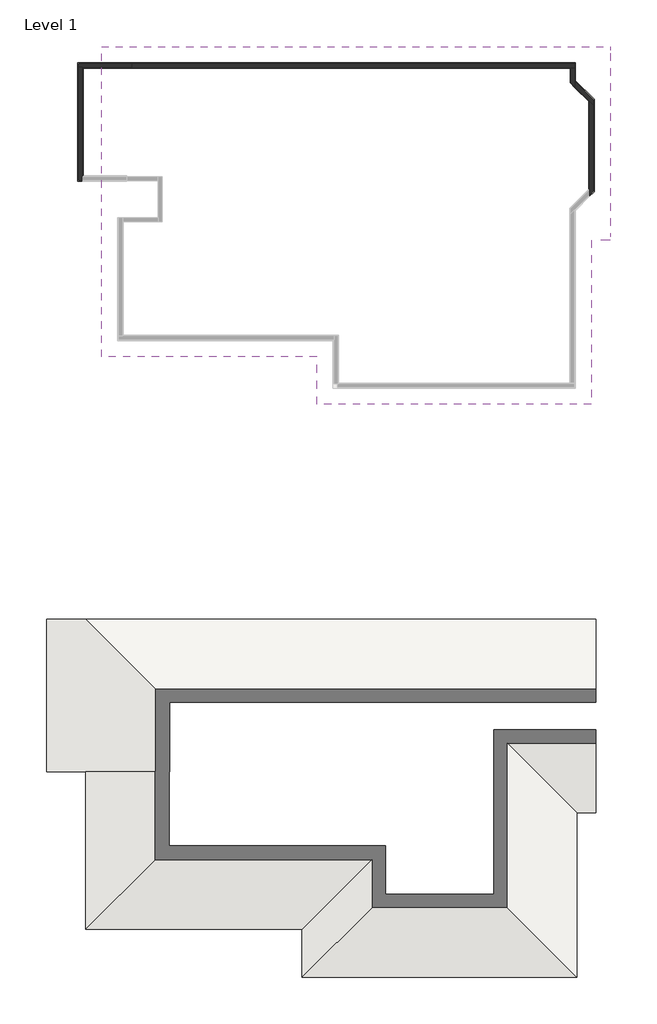
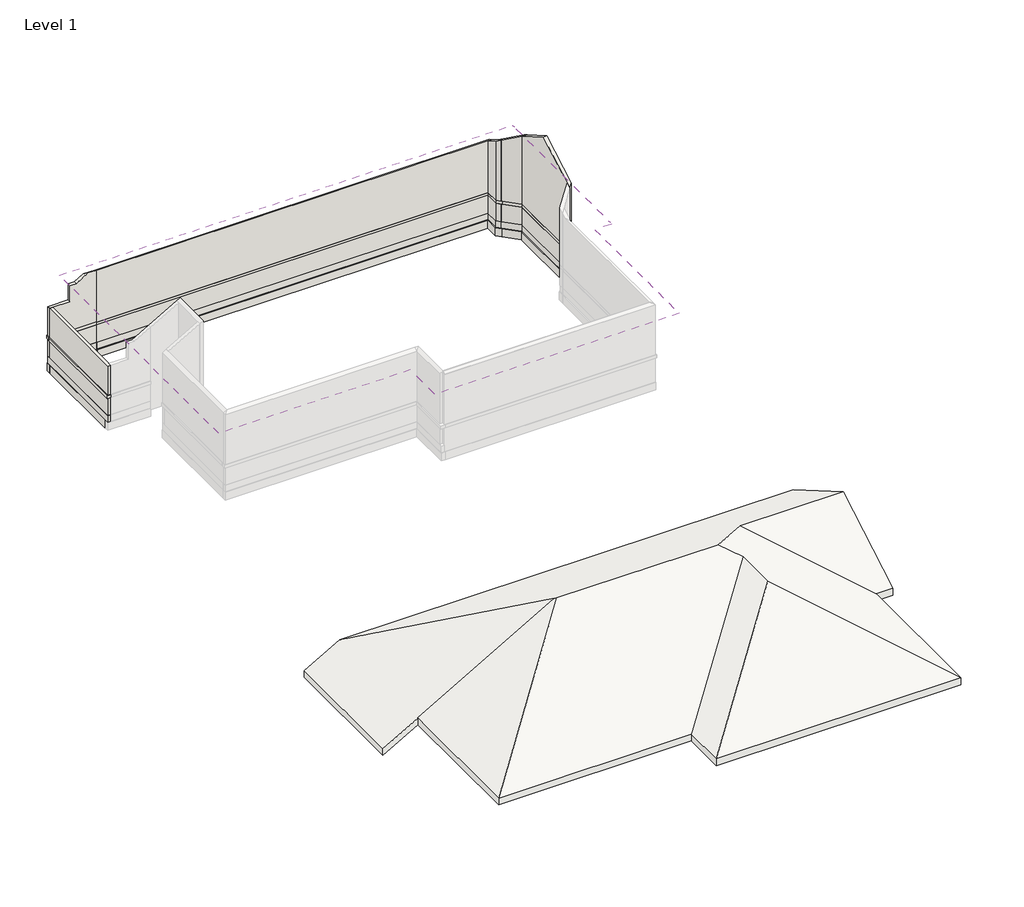
# One storey, part 2 of 2: 30 walls, 2 roofs.
"""IFC4 building model written with IfcOpenShell, lengths in millimetres."""

from ifc_helpers import new_model, si_unit, frame, origin, place, context, project, spatial, polyline, outline, extrude, faceted_brep, element, save

model = new_model("IFC4")

# Units and contexts
model_context = context("Model", 3, world=origin())
ifc_project = project(units=[si_unit("LENGTHUNIT", "METRE", prefix="MILLI")], contexts=[model_context])

# Site, building, storey
site = spatial("IfcSite", under=ifc_project)
building = spatial("IfcBuilding", under=site)
storey = spatial("IfcBuildingStorey", under=building, Name="Level 1", Elevation=0.0)

# Roofs
placement = place(None, origin())
element("IfcRoof", 1, ObjectType="150T_50Pur_CGI", at=placement, inside=storey, context=model_context, shape_type="Brep", body=[
    faceted_brep([(-1188.3308622, 1529.4801787, -346.4101615), (-1188.3308622, -1585.2698213, 1451.8915894), (-4901.9769652, -1585.2698213, 1451.8915894), (-6771.8751479, -3455.168004, 2531.4778086), (-12608.6485287, -3455.168004, 2531.4778086), (-12678.7967114, -3385.0198213, 2490.9777364), (-12661.3662896, -3385.0198213, 2490.9777364), (-17575.8662896, 1529.4801787, -346.4101615), (-17593.2967114, -8439.8161867, -346.4101615), (-6207.7618383, -4019.2813136, 2205.7868374), (-10628.2967114, -8439.8161867, -346.4101615), (-10628.2967114, -9989.8161867, -346.4101615), (-6207.7618383, -5569.2813136, 2205.7868374), (-1787.2269652, -9989.8161867, -346.4101615), (-1787.2269652, -4700.0198213, -346.4101615), (-1188.3308622, 1529.4801787, -93.5307436), (-17575.8662896, 1529.4801787, -93.5307436), (-12661.3662896, -3385.0198213, 2743.8571543), (-12678.7967114, -3385.0198213, 2743.8571543), (-12608.6485287, -3455.168004, 2784.3572265), (-6771.8751479, -3455.168004, 2784.3572265), (-4901.9769652, -1585.2698213, 1704.7710073), (-1188.3308622, -1585.2698213, 1704.7710073), (-17593.2967114, -8439.8161867, -93.5307436), (-10628.2967114, -8439.8161867, -93.5307436), (-6207.7618383, -4019.2813136, 2458.6662553), (-10628.2967114, -9989.8161867, -93.5307436), (-6207.7618383, -5569.2813136, 2458.6662553), (-1787.2269652, -9989.8161867, -93.5307436), (-1787.2269652, -4700.0198213, -93.5307436), (-17593.2967114, -3385.0198213, -356.4736203), (-18853.4269652, -3385.0198213, -1084.0101615), (-18853.4269652, 1529.4801787, -1084.0101615), (-17593.2967114, -3385.0198213, -346.4101615), (-18853.4269652, -3385.0198213, -831.1307436), (-17593.2967114, -3385.0198213, -103.5942024), (-18853.4269652, 1529.4801787, -831.1307436), (-17593.2967114, -3385.0198213, -93.5307436), (-1188.3308622, -4700.0198213, -346.4101615), (-1188.3308622, -4700.0198213, -93.5307436)], [[[0, 1, 2, 3, 4, 5, 6, 7]], [[8, 4, 3, 9, 10]], [[11, 10, 9, 12]], [[13, 12, 9, 3, 2, 14]], [[11, 12, 13]], [[15, 16, 17, 18, 19, 20, 21, 22]], [[23, 24, 25, 20, 19]], [[24, 26, 27, 25]], [[28, 29, 21, 20, 25, 27]], [[26, 28, 27]], [[7, 16, 15, 0]], [[10, 24, 23, 8]], [[11, 26, 24, 10]], [[13, 28, 26, 11]], [[14, 29, 28, 13]], [[30, 31, 32, 7, 6]], [[33, 5, 4, 8]], [[34, 35, 17, 16, 36]], [[37, 23, 19, 18]], [[8, 23, 37, 35, 33]], [[31, 34, 36, 32]], [[37, 18, 17, 35]], [[35, 34, 31, 30, 6, 5, 33]], [[38, 14, 2, 1]], [[29, 39, 22, 21]], [[38, 39, 29, 14]], [[15, 22, 39, 38, 1, 0]], [[36, 16, 7, 32]]]),
])
element("IfcRoof", 2, ObjectType="150T_50Pur_CGI", at=placement, inside=storey, context=model_context, shape_type="Brep", body=[
    faceted_brep([(-16861.4205287, 19709.8576385, 2501.4692564), (-12098.2659951, 14946.7031048, 5251.4778086), (-16861.4205287, 10183.5485712, 2501.4692564), (-9936.4205287, 8648.5485712, 2501.4692564), (-9936.4205287, 10183.5485712, 2501.4692564), (-5743.9954212, 14375.9736787, 4921.9670208), (-5743.9954212, 12840.9736787, 4921.9670208), (-1551.5703137, 8648.5485712, 2501.4692564), (-6314.7248473, 14946.7031048, 5251.4778086), (-717.9483285, 19709.8576385, 2501.4692564), (-717.9483285, 16816.6012875, 4171.8915894), (-4444.8266646, 16816.6012875, 4171.8915894), (-1551.5703137, 13923.3449366, 2501.4692564), (-17082.9141778, 19931.3512875, 2626.4692564), (-17082.9141778, 9962.0549221, 2626.4692564), (-12098.2659951, 14946.7031048, 5504.3572265), (-717.9483285, 19931.3512875, 2626.4692564), (-6314.7248473, 14946.7031048, 5504.3572265), (-4444.8266646, 16816.6012875, 4424.7710073), (-717.9483285, 16816.6012875, 4424.7710073), (-10157.9141778, 9962.0549221, 2626.4692564), (-10157.9141778, 8427.0549221, 2626.4692564), (-5743.9954212, 12840.9736787, 5174.8464387), (-5743.9954212, 14375.9736787, 5174.8464387), (-1330.0766646, 8427.0549221, 2626.4692564), (-1330.0766646, 13701.8512875, 2626.4692564), (-17082.9141778, 19931.3512875, 2501.4692564), (-717.9483285, 19931.3512875, 2501.4692564), (-17082.9141778, 9962.0549221, 2501.4692564), (-10157.9141778, 9962.0549221, 2501.4692564), (-10157.9141778, 8427.0549221, 2501.4692564), (-1330.0766646, 8427.0549221, 2501.4692564), (-1330.0766646, 13701.8512875, 2501.4692564), (-717.9483285, 13701.8512875, 2501.4692564), (-717.9483285, 13923.3449366, 2501.4692564), (-717.9483285, 13701.8512875, 2626.4692564)], [[[0, 1, 2]], [[3, 4, 5, 6]], [[3, 6, 7]], [[2, 1, 8, 5, 4]], [[9, 10, 11, 8, 1, 0]], [[7, 6, 5, 8, 11, 12]], [[13, 14, 15]], [[16, 13, 15, 17, 18, 19]], [[20, 21, 22, 23]], [[21, 24, 22]], [[14, 20, 23, 17, 15]], [[24, 25, 18, 17, 23, 22]], [[26, 13, 16, 27]], [[28, 14, 13, 26]], [[29, 20, 14, 28]], [[30, 21, 20, 29]], [[31, 24, 21, 30]], [[32, 25, 24, 31]], [[33, 32, 31, 30, 29, 28, 26, 27, 9, 0, 2, 4, 3, 7, 12, 34]], [[34, 12, 11, 10]], [[35, 19, 18, 25]], [[33, 35, 25, 32]], [[16, 19, 35, 33, 34, 10, 9, 27]]]),
])

# Walls
element("IfcWall", 3, at=placement, inside=storey, context=model_context, shape_type="Brep", body=[
    faceted_brep([(-17818.0444316, 19271.3512875, 0.0), (-17708.0444316, 19271.3512875, 0.0), (-16115.5444316, 19271.3512875, 0.0), (-16115.5444316, 19271.3512875, 670.0), (-17708.0444316, 19271.3512875, 670.0), (-17818.0444316, 19271.3512875, 670.0), (-17818.0444316, 19381.3512875, 0.0), (-17818.0444316, 19381.3512875, 670.0), (-16115.5444316, 19381.3512875, 670.0), (-16115.5444316, 19381.3512875, 0.0), (-17708.0444316, 19381.3512875, 0.0)], [[[0, 1, 2, 3, 4, 5]], [[6, 7, 8, 9, 10]], [[2, 1, 0, 6, 10, 9]], [[3, 2, 9, 8]], [[0, 5, 7, 6]], [[5, 4, 3, 8, 7]]]),
])
element("IfcWall", 4, at=placement, inside=storey, context=model_context, shape_type="Brep", body=[
    faceted_brep([(-17848.0444316, 19271.3512875, 670.0), (-17818.0444316, 19271.3512875, 670.0), (-17708.0444316, 19271.3512875, 670.0), (-16115.5444316, 19271.3512875, 670.0), (-16115.5444316, 19271.3512875, 780.0), (-17708.0444316, 19271.3512875, 780.0), (-17818.0444316, 19271.3512875, 780.0), (-17848.0444316, 19271.3512875, 780.0), (-17848.0444316, 19411.3512875, 670.0), (-17848.0444316, 19411.3512875, 780.0), (-16115.5444316, 19411.3512875, 780.0), (-16115.5444316, 19411.3512875, 670.0), (-16115.5444316, 19381.3512875, 670.0), (-16115.5444316, 19381.3512875, 780.0)], [[[0, 1, 2, 3, 4, 5, 6, 7]], [[8, 9, 10, 11]], [[3, 2, 1, 0, 8, 11, 12]], [[4, 3, 12, 11, 10, 13]], [[0, 7, 9, 8]], [[7, 6, 5, 4, 13, 10, 9]]]),
])
element("IfcWall", 5, at=placement, inside=storey, context=model_context, shape_type="Brep", body=[
    faceted_brep([(-1991.8444316, 19256.3512875, 0.0), (-1991.8444316, 18771.3877697, 0.0), (-1991.8444316, 18771.3877697, 670.0), (-1991.8444316, 19256.3512875, 670.0), (-1866.8444316, 19256.3512875, 0.0), (-1866.8444316, 19256.3512875, 670.0), (-1866.8444316, 18823.164465, 670.0), (-1866.8444316, 18646.3877697, 670.0), (-1866.8444316, 18646.3877697, 0.0), (-1866.8444316, 18667.6009732, 0.0), (-1866.8444316, 18823.164465, 0.0)], [[[0, 1, 2, 3]], [[4, 5, 6, 7, 8, 9, 10]], [[1, 0, 4, 10, 9, 8]], [[0, 3, 5, 4]], [[2, 1, 8, 7]], [[3, 2, 7, 6, 5]]]),
])
element("IfcWall", 6, at=placement, inside=storey, context=model_context, shape_type="Brep", body=[
    faceted_brep([(-1991.8444316, 19256.3512875, 670.0), (-1991.8444316, 18771.3877697, 670.0), (-1991.8444316, 18771.3877697, 780.0), (-1991.8444316, 19256.3512875, 780.0), (-1836.8444316, 19256.3512875, 670.0), (-1836.8444316, 19256.3512875, 780.0), (-1836.8444316, 18835.5908719, 780.0), (-1836.8444316, 18616.3877697, 780.0), (-1836.8444316, 18616.3877697, 670.0), (-1836.8444316, 18835.5908719, 670.0), (-1866.8444316, 19256.3512875, 670.0), (-1866.8444316, 18646.3877697, 670.0), (-1866.8444316, 19256.3512875, 780.0), (-1866.8444316, 18646.3877697, 780.0)], [[[0, 1, 2, 3]], [[4, 5, 6, 7, 8, 9]], [[1, 0, 10, 4, 9, 8, 11]], [[0, 3, 12, 5, 4, 10]], [[2, 1, 11, 8, 7, 13]], [[3, 2, 13, 7, 6, 5, 12]]]),
])
element("IfcWall", 7, at=placement, inside=storey, context=model_context, shape_type="Brep", body=[
    faceted_brep([(-1991.8444316, 19256.3512875, 780.0), (-1991.8444316, 18771.3877697, 780.0), (-1991.8444316, 18771.3877697, 3043.2950877), (-1991.8444316, 19256.3512875, 2763.3012702), (-1866.8444316, 19256.3512875, 780.0), (-1866.8444316, 19256.3512875, 2763.3012702), (-1866.8444316, 18823.164465, 3013.4017988), (-1866.8444316, 18646.3877697, 3115.4638714), (-1866.8444316, 18646.3877697, 780.0), (-1866.8444316, 18823.164465, 780.0)], [[[0, 1, 2, 3]], [[4, 5, 6, 7, 8, 9]], [[1, 0, 4, 9, 8]], [[0, 3, 5, 4]], [[2, 1, 8, 7]], [[3, 2, 7, 6, 5]]]),
])
element("IfcWall", 8, at=placement, inside=storey, context=model_context, shape_type="Brep", body=[
    faceted_brep([(-17708.0444316, 15636.8512875, 0.0), (-17708.0444316, 15746.8512875, 0.0), (-17708.0444316, 19271.3512875, 0.0), (-17708.0444316, 19271.3512875, 670.0), (-17708.0444316, 15746.8512875, 670.0), (-17708.0444316, 15636.8512875, 670.0), (-17818.0444316, 15636.8512875, 0.0), (-17818.0444316, 15636.8512875, 670.0), (-17818.0444316, 19271.3512875, 670.0), (-17818.0444316, 19271.3512875, 0.0)], [[[0, 1, 2, 3, 4, 5]], [[6, 7, 8, 9]], [[2, 1, 0, 6, 9]], [[5, 4, 3, 8, 7]], [[3, 2, 9, 8]], [[0, 5, 7, 6]]]),
])
element("IfcWall", 9, at=placement, inside=storey, context=model_context, shape_type="Brep", body=[
    faceted_brep([(-17708.0444316, 15606.8512875, 670.0), (-17708.0444316, 15636.8512875, 670.0), (-17708.0444316, 15746.8512875, 670.0), (-17708.0444316, 19271.3512875, 670.0), (-17708.0444316, 19271.3512875, 780.0), (-17708.0444316, 15746.8512875, 780.0), (-17708.0444316, 15636.8512875, 780.0), (-17708.0444316, 15606.8512875, 780.0), (-17848.0444316, 15606.8512875, 670.0), (-17848.0444316, 15606.8512875, 780.0), (-17848.0444316, 19271.3512875, 780.0), (-17848.0444316, 19271.3512875, 670.0), (-17818.0444316, 19271.3512875, 670.0), (-17818.0444316, 19271.3512875, 780.0)], [[[0, 1, 2, 3, 4, 5, 6, 7]], [[8, 9, 10, 11]], [[3, 2, 1, 0, 8, 11, 12]], [[7, 6, 5, 4, 13, 10, 9]], [[4, 3, 12, 11, 10, 13]], [[0, 7, 9, 8]]]),
])
element("IfcWall", 10, at=placement, inside=storey, context=model_context, shape_type="Brep", body=[
    faceted_brep([(-16115.5444316, 19256.3512875, 0.0), (-1991.8444316, 19256.3512875, 0.0), (-1866.8444316, 19256.3512875, 0.0), (-1866.8444316, 19256.3512875, 670.0), (-1991.8444316, 19256.3512875, 670.0), (-16115.5444316, 19256.3512875, 670.0), (-16115.5444316, 19381.3512875, 0.0), (-16115.5444316, 19381.3512875, 670.0), (-1866.8444316, 19381.3512875, 670.0), (-1866.8444316, 19381.3512875, 0.0), (-16115.5444316, 19271.3512875, 0.0), (-1866.8444316, 19271.3512875, 0.0), (-16115.5444316, 19271.3512875, 670.0)], [[[0, 1, 2, 3, 4, 5]], [[6, 7, 8, 9]], [[2, 1, 0, 10, 6, 9, 11]], [[0, 5, 12, 7, 6, 10]], [[3, 2, 11, 9, 8]], [[5, 4, 3, 8, 7, 12]]]),
])
element("IfcWall", 11, at=placement, inside=storey, context=model_context, shape_type="Brep", body=[
    faceted_brep([(-16115.5444316, 19256.3512875, 670.0), (-1991.8444316, 19256.3512875, 670.0), (-1866.8444316, 19256.3512875, 670.0), (-1836.8444316, 19256.3512875, 670.0), (-1836.8444316, 19256.3512875, 780.0), (-1866.8444316, 19256.3512875, 780.0), (-1991.8444316, 19256.3512875, 780.0), (-16115.5444316, 19256.3512875, 780.0), (-16115.5444316, 19411.3512875, 670.0), (-16115.5444316, 19411.3512875, 780.0), (-1836.8444316, 19411.3512875, 780.0), (-1836.8444316, 19411.3512875, 670.0), (-16115.5444316, 19271.3512875, 670.0), (-16115.5444316, 19381.3512875, 670.0), (-16115.5444316, 19271.3512875, 780.0), (-16115.5444316, 19381.3512875, 780.0)], [[[0, 1, 2, 3, 4, 5, 6, 7]], [[8, 9, 10, 11]], [[3, 2, 1, 0, 12, 13, 8, 11]], [[0, 7, 14, 15, 9, 8, 13, 12]], [[4, 3, 11, 10]], [[7, 6, 5, 4, 10, 9, 15, 14]]]),
])
element("IfcWall", 12, at=placement, inside=storey, context=model_context, shape_type="Brep", body=[
    faceted_brep([(-16115.5444316, 19256.3512875, 780.0), (-1991.8444316, 19256.3512875, 780.0), (-1866.8444316, 19256.3512875, 780.0), (-1866.8444316, 19256.3512875, 2763.3012702), (-1991.8444316, 19256.3512875, 2763.3012702), (-16115.5444316, 19256.3512875, 2763.3012702), (-16115.5444316, 19381.3512875, 780.0), (-16115.5444316, 19381.3512875, 2691.1324865), (-1866.8444316, 19381.3512875, 2691.1324865), (-1866.8444316, 19381.3512875, 780.0), (-16115.5444316, 19271.3512875, 780.0), (-16115.5444316, 19271.3512875, 2754.6410162)], [[[0, 1, 2, 3, 4, 5]], [[6, 7, 8, 9]], [[2, 1, 0, 10, 6, 9]], [[0, 5, 11, 7, 6, 10]], [[3, 2, 9, 8]], [[5, 4, 3, 8, 7, 11]]]),
])
element("IfcWall", 13, at=placement, inside=storey, context=model_context, shape_type="Brep", body=[
    faceted_brep([(-17708.0444316, 15636.8512875, -260.0), (-17708.0444316, 15746.8512875, -260.0), (-17708.0444316, 19271.3512875, -260.0), (-17708.0444316, 19381.3512875, -260.0), (-17708.0444316, 19381.3512875, 0.0), (-17708.0444316, 19271.3512875, 0.0), (-17708.0444316, 15746.8512875, 0.0), (-17708.0444316, 15636.8512875, 0.0), (-17818.0444316, 15636.8512875, -260.0), (-17818.0444316, 15636.8512875, 0.0), (-17818.0444316, 19271.3512875, 0.0), (-17818.0444316, 19381.3512875, 0.0), (-17818.0444316, 19381.3512875, -260.0)], [[[0, 1, 2, 3, 4, 5, 6, 7]], [[8, 9, 10, 11, 12]], [[3, 2, 1, 0, 8, 12]], [[7, 6, 5, 4, 11, 10, 9]], [[0, 7, 9, 8]], [[4, 3, 12, 11]]]),
])
element("IfcWall", 14, at=placement, inside=storey, context=model_context, shape_type="SweptSolid", body=[
    extrude(outline(polyline([(-16115.5444316, 19271.3512875), (-17708.0444316, 19271.3512875), (-17708.0444316, 19381.3512875), (-16115.5444316, 19381.3512875), (-16115.5444316, 19271.3512875)])), frame((0.0, 0.0, -260.0), z_axis=(0.0, 0.0, 1.0), x_axis=(1.0, 0.0, 0.0)), (0.0, 0.0, 1.0), 260.0),
])
element("IfcWall", 15, at=placement, inside=storey, context=model_context, shape_type="Brep", body=[
    faceted_brep([(-16115.5444316, 19271.3512875, -260.0), (-1976.8444316, 19271.3512875, -260.0), (-1866.8444316, 19271.3512875, -260.0), (-1866.8444316, 19271.3512875, 0.0), (-1976.8444316, 19271.3512875, 0.0), (-16115.5444316, 19271.3512875, 0.0), (-16115.5444316, 19381.3512875, -260.0), (-16115.5444316, 19381.3512875, 0.0), (-1866.8444316, 19381.3512875, 0.0), (-1866.8444316, 19381.3512875, -260.0)], [[[0, 1, 2, 3, 4, 5]], [[6, 7, 8, 9]], [[2, 1, 0, 6, 9]], [[0, 5, 7, 6]], [[3, 2, 9, 8]], [[5, 4, 3, 8, 7]]]),
])
element("IfcWall", 16, at=placement, inside=storey, context=model_context, shape_type="Brep", body=[
    faceted_brep([(-1976.8444316, 19271.3512875, -260.0), (-1976.8444316, 18777.6009732, -260.0), (-1976.8444316, 18777.6009732, 0.0), (-1976.8444316, 19271.3512875, 0.0), (-1866.8444316, 19271.3512875, -260.0), (-1866.8444316, 19271.3512875, 0.0), (-1866.8444316, 19256.3512875, 0.0), (-1866.8444316, 18823.164465, 0.0), (-1866.8444316, 18667.6009732, 0.0), (-1866.8444316, 18667.6009732, -260.0), (-1866.8444316, 18823.164465, -260.0)], [[[0, 1, 2, 3]], [[4, 5, 6, 7, 8, 9, 10]], [[1, 0, 4, 10, 9]], [[0, 3, 5, 4]], [[2, 1, 9, 8]], [[3, 2, 8, 7, 6, 5]]]),
])
element("IfcWall", 17, at=placement, inside=storey, context=model_context, shape_type="Brep", body=[
    faceted_brep([(-1866.8444316, 18667.6009732, -260.0), (-1377.9483285, 18178.7048701, -260.0), (-1267.9483285, 18068.7048701, -260.0), (-1267.9483285, 18068.7048701, 0.0), (-1377.9483285, 18178.7048701, 0.0), (-1866.8444316, 18667.6009732, 0.0), (-1866.8444316, 18823.164465, -260.0), (-1866.8444316, 18823.164465, 0.0), (-1267.9483285, 18224.268362, 0.0), (-1267.9483285, 18224.268362, -260.0)], [[[0, 1, 2, 3, 4, 5]], [[6, 7, 8, 9]], [[2, 1, 0, 6, 9]], [[3, 2, 9, 8]], [[0, 5, 7, 6]], [[5, 4, 3, 8, 7]]]),
])
element("IfcWall", 18, at=placement, inside=storey, context=model_context, shape_type="Brep", body=[
    faceted_brep([(-1866.8444316, 18646.3877697, 0.0), (-1392.9483285, 18172.4916667, 0.0), (-1267.9483285, 18047.4916667, 0.0), (-1267.9483285, 18047.4916667, 670.0), (-1392.9483285, 18172.4916667, 670.0), (-1836.8444316, 18616.3877697, 670.0), (-1866.8444316, 18646.3877697, 670.0), (-1866.8444316, 18823.164465, 0.0), (-1866.8444316, 18823.164465, 670.0), (-1267.9483285, 18224.268362, 670.0), (-1267.9483285, 18224.268362, 0.0), (-1866.8444316, 18667.6009732, 0.0), (-1267.9483285, 18068.7048701, 0.0)], [[[0, 1, 2, 3, 4, 5, 6]], [[7, 8, 9, 10]], [[2, 1, 0, 11, 7, 10, 12]], [[3, 2, 12, 10, 9]], [[0, 6, 8, 7, 11]], [[6, 5, 4, 3, 9, 8]]]),
])
element("IfcWall", 19, at=placement, inside=storey, context=model_context, shape_type="Brep", body=[
    faceted_brep([(-1836.8444316, 18616.3877697, 670.0), (-1392.9483285, 18172.4916667, 670.0), (-1267.9483285, 18047.4916667, 670.0), (-1237.9483285, 18017.4916667, 670.0), (-1237.9483285, 18017.4916667, 780.0), (-1267.9483285, 18047.4916667, 780.0), (-1392.9483285, 18172.4916667, 780.0), (-1836.8444316, 18616.3877697, 780.0), (-1836.8444316, 18835.5908719, 670.0), (-1836.8444316, 18835.5908719, 780.0), (-1237.9483285, 18236.6947688, 780.0), (-1237.9483285, 18236.6947688, 670.0)], [[[0, 1, 2, 3, 4, 5, 6, 7]], [[8, 9, 10, 11]], [[3, 2, 1, 0, 8, 11]], [[4, 3, 11, 10]], [[0, 7, 9, 8]], [[7, 6, 5, 4, 10, 9]]]),
])
element("IfcWall", 20, at=placement, inside=storey, context=model_context, shape_type="Brep", body=[
    faceted_brep([(-1866.8444316, 18646.3877697, 780.0), (-1836.8444316, 18616.3877697, 780.0), (-1392.9483285, 18172.4916667, 780.0), (-1267.9483285, 18047.4916667, 780.0), (-1267.9483285, 18047.4916667, 3461.2366977), (-1392.9483285, 18172.4916667, 3389.0679141), (-1866.8444316, 18646.3877697, 3115.4638714), (-1866.8444316, 18823.164465, 780.0), (-1866.8444316, 18823.164465, 3013.4017988), (-1267.9483285, 18224.268362, 3359.1746251), (-1267.9483285, 18224.268362, 780.0)], [[[0, 1, 2, 3, 4, 5, 6]], [[7, 8, 9, 10]], [[3, 2, 1, 0, 7, 10]], [[4, 3, 10, 9]], [[0, 6, 8, 7]], [[6, 5, 4, 9, 8]]]),
])
element("IfcWall", 21, at=placement, inside=storey, context=model_context, shape_type="Brep", body=[
    faceted_brep([(-1377.9483285, 18178.7048701, -260.0), (-1377.9483285, 15328.4104976, -260.0), (-1377.9483285, 15172.8470057, -260.0), (-1377.9483285, 15172.8470057, 0.0), (-1377.9483285, 15328.4104976, 0.0), (-1377.9483285, 18178.7048701, 0.0), (-1267.9483285, 18068.7048701, -260.0), (-1267.9483285, 18068.7048701, 0.0), (-1267.9483285, 18047.4916667, 0.0), (-1267.9483285, 15282.8470057, 0.0), (-1267.9483285, 15282.8470057, -260.0)], [[[0, 1, 2, 3, 4, 5]], [[6, 7, 8, 9, 10]], [[2, 1, 0, 6, 10]], [[0, 5, 7, 6]], [[3, 2, 10, 9]], [[5, 4, 3, 9, 8, 7]]]),
])
element("IfcWall", 22, at=placement, inside=storey, context=model_context, shape_type="Brep", body=[
    faceted_brep([(-1392.9483285, 18172.4916667, 0.0), (-1392.9483285, 15334.623701, 0.0), (-1392.9483285, 15157.8470057, 0.0), (-1392.9483285, 15157.8470057, 670.0), (-1392.9483285, 15334.623701, 670.0), (-1392.9483285, 18172.4916667, 670.0), (-1267.9483285, 18047.4916667, 0.0), (-1267.9483285, 18047.4916667, 670.0), (-1267.9483285, 15282.8470057, 670.0), (-1267.9483285, 15282.8470057, 0.0), (-1377.9483285, 15172.8470057, 0.0)], [[[0, 1, 2, 3, 4, 5]], [[6, 7, 8, 9]], [[2, 1, 0, 6, 9, 10]], [[0, 5, 7, 6]], [[3, 2, 10, 9, 8]], [[5, 4, 3, 8, 7]]]),
])
element("IfcWall", 23, at=placement, inside=storey, context=model_context, shape_type="Brep", body=[
    faceted_brep([(-1392.9483285, 18172.4916667, 670.0), (-1392.9483285, 15334.623701, 670.0), (-1392.9483285, 15157.8470057, 670.0), (-1392.9483285, 15115.4205989, 670.0), (-1392.9483285, 15115.4205989, 780.0), (-1392.9483285, 15157.8470057, 780.0), (-1392.9483285, 15334.623701, 780.0), (-1392.9483285, 18172.4916667, 780.0), (-1237.9483285, 18017.4916667, 670.0), (-1237.9483285, 18017.4916667, 780.0), (-1237.9483285, 15270.4205989, 780.0), (-1237.9483285, 15270.4205989, 670.0), (-1267.9483285, 18047.4916667, 670.0), (-1267.9483285, 18047.4916667, 780.0)], [[[0, 1, 2, 3, 4, 5, 6, 7]], [[8, 9, 10, 11]], [[3, 2, 1, 0, 12, 8, 11]], [[0, 7, 13, 9, 8, 12]], [[4, 3, 11, 10]], [[7, 6, 5, 4, 10, 9, 13]]]),
])
element("IfcWall", 24, at=placement, inside=storey, context=model_context, shape_type="Brep", body=[
    faceted_brep([(-1392.9483285, 18172.4916667, 780.0), (-1392.9483285, 15334.623701, 780.0), (-1392.9483285, 15157.8470057, 780.0), (-1392.9483285, 15157.8470057, 3214.2093583), (-1392.9483285, 15334.623701, 3316.2714309), (-1392.9483285, 16816.6012875, 4171.8915894), (-1392.9483285, 18172.4916667, 3389.0679141), (-1267.9483285, 18047.4916667, 780.0), (-1267.9483285, 18047.4916667, 3461.2366977), (-1267.9483285, 16816.6012875, 4171.8915894), (-1267.9483285, 15282.8470057, 3286.378142), (-1267.9483285, 15282.8470057, 780.0)], [[[0, 1, 2, 3, 4, 5, 6]], [[7, 8, 9, 10, 11]], [[2, 1, 0, 7, 11]], [[0, 6, 8, 7]], [[3, 2, 11, 10]], [[6, 5, 9, 8]], [[5, 4, 3, 10, 9]]]),
])
element("IfcWall", 25, ObjectType="110Br", at=placement, inside=storey, context=model_context, shape_type="Brep", body=[
    faceted_brep([(-17818.0444316, 19271.3512875, 780.0), (-17708.0444316, 19271.3512875, 780.0), (-16115.5444316, 19271.3512875, 780.0), (-16115.5444316, 19271.3512875, 2754.6410162), (-16422.9141778, 19271.3512875, 2754.6410162), (-16861.4205287, 19271.3512875, 2501.4692564), (-17082.9141778, 19271.3512875, 2501.4692564), (-17082.9141778, 19271.3512875, 1890.0), (-17708.0444316, 19271.3512875, 1890.0), (-17818.0444316, 19271.3512875, 1890.0), (-17818.0444316, 19381.3512875, 780.0), (-17818.0444316, 19381.3512875, 1890.0), (-17082.9141778, 19381.3512875, 1890.0), (-17082.9141778, 19381.3512875, 2501.4692564), (-16861.4205287, 19381.3512875, 2501.4692564), (-16532.9141778, 19381.3512875, 2691.1324865), (-16115.5444316, 19381.3512875, 2691.1324865), (-16115.5444316, 19381.3512875, 780.0)], [[[0, 1, 2, 3, 4, 5, 6, 7, 8, 9]], [[10, 11, 12, 13, 14, 15, 16, 17]], [[2, 1, 0, 10, 17]], [[3, 2, 17, 16]], [[0, 9, 11, 10]], [[9, 8, 7, 12, 11]], [[12, 7, 6, 13]], [[6, 5, 14, 13]], [[5, 4, 15, 14]], [[4, 3, 16, 15]]]),
])
element("IfcWall", 26, ObjectType="110Br", at=placement, inside=storey, context=model_context, shape_type="Brep", body=[
    faceted_brep([(-17708.0444316, 15636.8512875, 780.0), (-17708.0444316, 15746.8512875, 780.0), (-17708.0444316, 19271.3512875, 780.0), (-17708.0444316, 19271.3512875, 1890.0), (-17708.0444316, 15746.8512875, 1890.0), (-17708.0444316, 15636.8512875, 1890.0), (-17818.0444316, 15636.8512875, 780.0), (-17818.0444316, 15636.8512875, 1890.0), (-17818.0444316, 19271.3512875, 1890.0), (-17818.0444316, 19271.3512875, 780.0)], [[[0, 1, 2, 3, 4, 5]], [[6, 7, 8, 9]], [[2, 1, 0, 6, 9]], [[5, 4, 3, 8, 7]], [[0, 5, 7, 6]], [[3, 2, 9, 8]]]),
])
element("IfcWall", 27, ObjectType="Foundation - 150mm Concrete", at=placement, inside=storey, context=model_context, shape_type="Brep", body=[
    faceted_brep([(-17828.0444316, 19241.3512875, -560.0), (-17678.0444316, 19241.3512875, -560.0), (-16115.5444316, 19241.3512875, -560.0), (-16115.5444316, 19241.3512875, -260.0), (-17678.0444316, 19241.3512875, -260.0), (-17828.0444316, 19241.3512875, -260.0), (-17828.0444316, 19391.3512875, -560.0), (-17828.0444316, 19391.3512875, -260.0), (-16115.5444316, 19391.3512875, -260.0), (-16115.5444316, 19391.3512875, -560.0), (-16115.5444316, 19381.3512875, -260.0), (-16115.5444316, 19271.3512875, -260.0)], [[[0, 1, 2, 3, 4, 5]], [[6, 7, 8, 9]], [[2, 1, 0, 6, 9]], [[3, 2, 9, 8, 10, 11]], [[0, 5, 7, 6]], [[5, 4, 3, 11, 10, 8, 7]]]),
])
element("IfcWall", 28, ObjectType="Foundation - 150mm Concrete", at=placement, inside=storey, context=model_context, shape_type="Brep", body=[
    faceted_brep([(-2006.8444316, 19241.3512875, -560.0), (-2006.8444316, 18765.1745663, -560.0), (-2006.8444316, 18765.1745663, -260.0), (-2006.8444316, 19241.3512875, -260.0), (-1856.8444316, 19241.3512875, -560.0), (-1856.8444316, 19241.3512875, -260.0), (-1856.8444316, 18827.3066007, -260.0), (-1856.8444316, 18615.1745663, -260.0), (-1856.8444316, 18615.1745663, -560.0), (-1856.8444316, 18827.3066007, -560.0)], [[[0, 1, 2, 3]], [[4, 5, 6, 7, 8, 9]], [[1, 0, 4, 9, 8]], [[0, 3, 5, 4]], [[2, 1, 8, 7]], [[3, 2, 7, 6, 5]]]),
])
element("IfcWall", 29, ObjectType="Foundation - 150mm Concrete", at=placement, inside=storey, context=model_context, shape_type="SweptSolid", body=[
    extrude(outline(polyline([(-17678.0444316, 19241.3512875), (-17678.0444316, 15776.8512875), (-17828.0444316, 15776.8512875), (-17828.0444316, 19241.3512875), (-17678.0444316, 19241.3512875)])), frame((0.0, 0.0, -560.0), z_axis=(0.0, 0.0, 1.0), x_axis=(1.0, 0.0, 0.0)), (0.0, 0.0, 1.0), 300.0),
])
element("IfcWall", 30, ObjectType="Foundation - 150mm Concrete", at=placement, inside=storey, context=model_context, shape_type="Brep", body=[
    faceted_brep([(-16115.5444316, 19241.3512875, -560.0), (-2006.8444316, 19241.3512875, -560.0), (-1856.8444316, 19241.3512875, -560.0), (-1856.8444316, 19241.3512875, -260.0), (-2006.8444316, 19241.3512875, -260.0), (-16115.5444316, 19241.3512875, -260.0), (-16115.5444316, 19391.3512875, -560.0), (-16115.5444316, 19391.3512875, -260.0), (-1856.8444316, 19391.3512875, -260.0), (-1856.8444316, 19391.3512875, -560.0), (-16115.5444316, 19271.3512875, -260.0), (-16115.5444316, 19381.3512875, -260.0)], [[[0, 1, 2, 3, 4, 5]], [[6, 7, 8, 9]], [[2, 1, 0, 6, 9]], [[0, 5, 10, 11, 7, 6]], [[3, 2, 9, 8]], [[5, 4, 3, 8, 7, 11, 10]]]),
])
element("IfcWall", 31, ObjectType="Foundation - 150mm Concrete", at=placement, inside=storey, context=model_context, shape_type="Brep", body=[
    faceted_brep([(-1856.8444316, 18615.1745663, -560.0), (-1407.9483285, 18166.2784632, -560.0), (-1257.9483285, 18016.2784632, -560.0), (-1257.9483285, 18016.2784632, -260.0), (-1407.9483285, 18166.2784632, -260.0), (-1856.8444316, 18615.1745663, -260.0), (-1856.8444316, 18827.3066007, -560.0), (-1856.8444316, 18827.3066007, -260.0), (-1257.9483285, 18228.4104976, -260.0), (-1257.9483285, 18228.4104976, -560.0)], [[[0, 1, 2, 3, 4, 5]], [[6, 7, 8, 9]], [[2, 1, 0, 6, 9]], [[3, 2, 9, 8]], [[0, 5, 7, 6]], [[5, 4, 3, 8, 7]]]),
])
element("IfcWall", 32, ObjectType="Foundation - 150mm Concrete", at=placement, inside=storey, context=model_context, shape_type="Brep", body=[
    faceted_brep([(-1407.9483285, 18166.2784632, -560.0), (-1407.9483285, 15340.8369045, -560.0), (-1407.9483285, 15128.7048701, -560.0), (-1407.9483285, 15128.7048701, -260.0), (-1407.9483285, 15340.8369045, -260.0), (-1407.9483285, 18166.2784632, -260.0), (-1257.9483285, 18016.2784632, -560.0), (-1257.9483285, 18016.2784632, -260.0), (-1257.9483285, 15278.7048701, -260.0), (-1257.9483285, 15278.7048701, -560.0)], [[[0, 1, 2, 3, 4, 5]], [[6, 7, 8, 9]], [[2, 1, 0, 6, 9]], [[0, 5, 7, 6]], [[3, 2, 9, 8]], [[5, 4, 3, 8, 7]]]),
])

save(model, "model.ifc")
